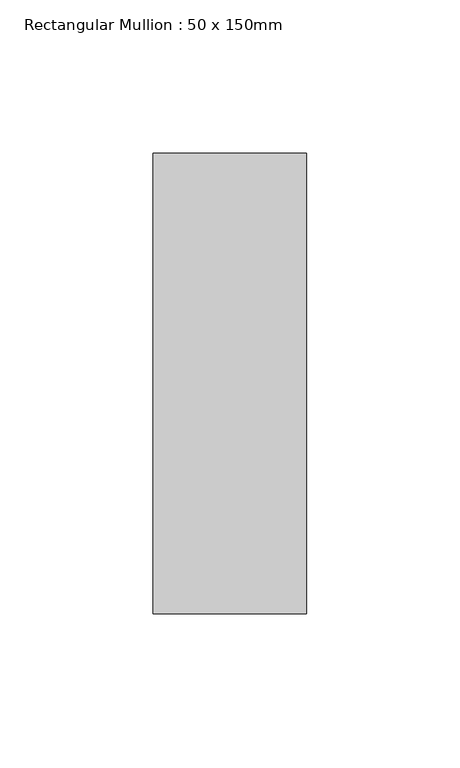
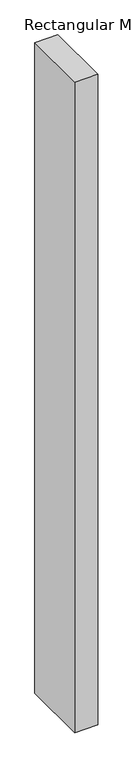
"""IFC4 building model written with IfcOpenShell, lengths in millimetres: member geometry, Rectangular Mullion : 50 x 150mm."""

from ifc_helpers import new_model, si_unit, frame, origin, place, context, project, spatial, polyline, outline, extrude, source, transform, mapped, element, save


def rectangular_mullion_50_x_150mm_7fa1822e(model_context):
    return source(origin(), model_context, "Body", "SweptSolid", [
        extrude(outline(polyline([(25.0, 75.0), (25.0, -75.0), (-25.0, -75.0), (-25.0, 75.0), (25.0, 75.0)])), frame((0.0, 0.0, -1497.1963877), z_axis=(0.0, 0.0, 1.0), x_axis=(1.0, 0.0, 0.0)), (0.0, 0.0, 1.0), 1497.1963877),
    ])


if __name__ == "__main__":
    model = new_model("IFC4")
    model_context = context("Model", 3, world=origin())
    ifc_project = project(units=[si_unit("LENGTHUNIT", "METRE", prefix="MILLI")], contexts=[model_context])
    site = spatial("IfcSite", under=ifc_project)
    building = spatial("IfcBuilding", under=site)
    placement = place(None, origin())
    rectangular_mullion_50_x_150mm_shape = rectangular_mullion_50_x_150mm_7fa1822e(model_context)
    element("IfcMember", 1, ObjectType="Rectangular Mullion : 50 x 150mm", at=placement, inside=building, context=model_context, shape_type="MappedRepresentation", body=[
        mapped(rectangular_mullion_50_x_150mm_shape, transform((0.0, 0.0, 0.0), x_axis=(1.0, 0.0, 0.0), y_axis=(0.0, 1.0, 0.0), z_axis=(0.0, 0.0, 1.0))),
    ])
    save(model, "model.ifc")
